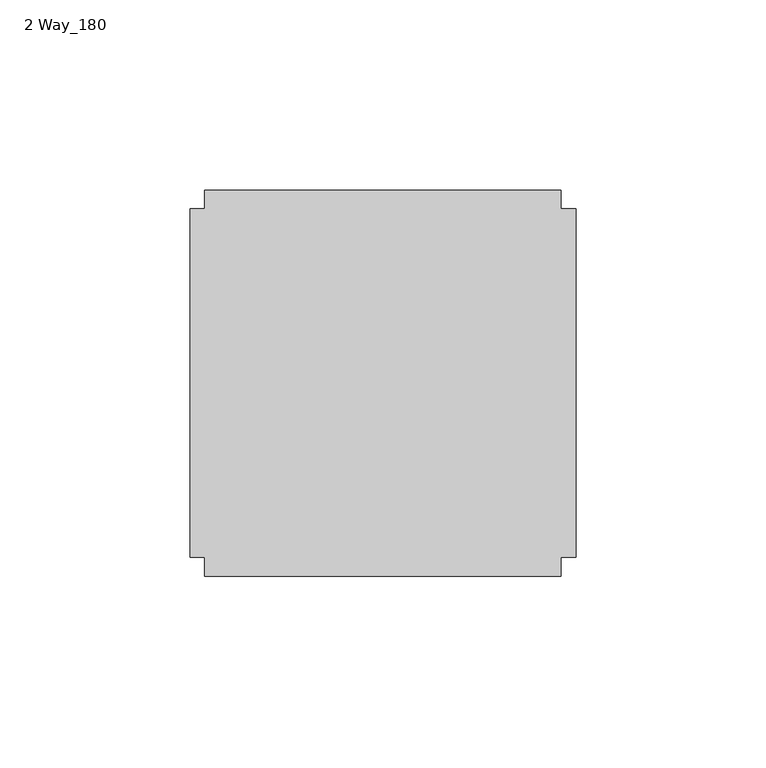
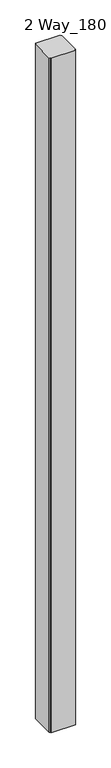
"""IFC4 building model written with IfcOpenShell, lengths in millimetres: furniture geometry, 2 Way_180."""

import ifcopenshell
import ifcopenshell.guid

model = None  # the IFC model being written
_history = None  # IfcOwnerHistory: only IFC2X3 demands one
_inside = {}  # id of a spatial element -> (the spatial element, [elements in it])
_under = {}  # id of a project, library or spatial element -> (it, [spatial elements below it])
_declared = {}  # id of a project -> (the project, [libraries it declares])
_typed = {}  # id of a type object -> (the type object, [elements of that type])
_made_of = {}  # id of a material, layer set ... -> (it, [elements and type objects made of it])


def new_model(schema):
    """Start an empty IFC model of exactly this schema.

    Asked for "IFC4X3", IfcOpenShell would pick the latest addendum, in which some entities
    have other attributes; the version numbers below select the first issue.
    IFC2X3 requires an IfcOwnerHistory on every rooted entity: one is made here for all.
    """
    global model, _history
    if schema == "IFC4X3":
        model = ifcopenshell.file(schema_version=(4, 3, 0, 0))
    else:
        model = ifcopenshell.file(schema=schema)
    _inside.clear()
    _under.clear()
    _declared.clear()
    _typed.clear()
    _made_of.clear()
    _history = None
    if model.schema == "IFC2X3":
        org = make("IfcOrganization", Name="unknown")
        user = make(
            "IfcPersonAndOrganization",
            ThePerson=make("IfcPerson", FamilyName="unknown"),
            TheOrganization=org,
        )
        app = make(
            "IfcApplication",
            ApplicationDeveloper=org,
            Version="unknown",
            ApplicationFullName="unknown",
            ApplicationIdentifier="unknown",
        )
        _history = make(
            "IfcOwnerHistory",
            OwningUser=user,
            OwningApplication=app,
            ChangeAction="ADDED",
            CreationDate=0,
        )
    return model


def make(cls, **values):
    """One entity of the class cls with the attributes given. An attribute that is None is left unset."""
    return model.create_entity(
        cls, **{name: value for name, value in values.items() if value is not None}
    )


def rooted(cls, **values):
    """An entity with a GlobalId (a new one), such as an element, a storey or a relation."""
    return make(cls, GlobalId=ifcopenshell.guid.new(), OwnerHistory=_history, **values)


def si_unit(unit_type, name, prefix=None):
    """IfcSIUnit, for example si_unit("LENGTHUNIT", "METRE", prefix="MILLI")."""
    return make("IfcSIUnit", UnitType=unit_type, Prefix=prefix, Name=name)


def assignment(units):
    """IfcUnitAssignment: the units of a project."""
    return None if units is None else make("IfcUnitAssignment", Units=units)


def point(xyz):
    """IfcCartesianPoint."""
    return None if xyz is None else make("IfcCartesianPoint", Coordinates=xyz)


def direction(xyz):
    """IfcDirection."""
    return None if xyz is None else make("IfcDirection", DirectionRatios=xyz)


def frame(location, z_axis=None, x_axis=None):
    """IfcAxis2Placement3D, a coordinate frame: its origin and axes. An axis left out is left unset."""
    return make(
        "IfcAxis2Placement3D",
        Location=point(location),
        Axis=direction(z_axis),
        RefDirection=direction(x_axis),
    )


def origin():
    """The frame at (0, 0, 0) with its axes left unset."""
    return frame((0.0, 0.0, 0.0))


def origin_with_axes():
    """The frame at (0, 0, 0) with the z axis (0, 0, 1) and the x axis (1, 0, 0) written out."""
    return frame((0.0, 0.0, 0.0), z_axis=(0.0, 0.0, 1.0), x_axis=(1.0, 0.0, 0.0))


def place(relative_to, where):
    """IfcLocalPlacement: puts the frame where relative to a parent placement (None: the world)."""
    return make(
        "IfcLocalPlacement", PlacementRelTo=relative_to, RelativePlacement=where
    )


def context(
    kind, dimensions, precision=None, world=None, true_north=None, identifier=None
):
    """IfcGeometricRepresentationContext, for example the 3D "Model" context."""
    return make(
        "IfcGeometricRepresentationContext",
        ContextIdentifier=identifier,
        ContextType=kind,
        CoordinateSpaceDimension=dimensions,
        Precision=precision,
        WorldCoordinateSystem=world,
        TrueNorth=true_north,
    )


def project(units=None, contexts=None):
    """IfcProject with its units and contexts."""
    return rooted(
        "IfcProject",
        Name="project",
        RepresentationContexts=contexts,
        UnitsInContext=assignment(units),
    )


def spatial(cls, under=None, at=None, **own):
    """A site, building, storey or space (cls), placed at a placement, below another one or the project."""
    s = rooted(cls, ObjectPlacement=at, **own)
    if under is not None:
        _under.setdefault(under.id(), (under, []))[1].append(s)
    return s


def polyline(points):
    """IfcPolyline through the points."""
    return make("IfcPolyline", Points=[point(p) for p in points])


def outline(outer, holes=None, kind="AREA"):
    """IfcArbitraryClosedProfileDef: a profile drawn as a closed curve; with holes, ...WithVoids."""
    if holes is None:
        return make("IfcArbitraryClosedProfileDef", ProfileType=kind, OuterCurve=outer)
    return make(
        "IfcArbitraryProfileDefWithVoids",
        ProfileType=kind,
        OuterCurve=outer,
        InnerCurves=holes,
    )


def extrude(swept, where, along, depth):
    """IfcExtrudedAreaSolid: the profile swept, set in the frame where, extruded along a direction by depth."""
    return make(
        "IfcExtrudedAreaSolid",
        SweptArea=swept,
        Position=where,
        ExtrudedDirection=direction(along),
        Depth=depth,
    )


def shape(context_of_items, identifier, shape_type, items):
    """IfcShapeRepresentation: the items that make up one representation, for example the "Body"."""
    return make(
        "IfcShapeRepresentation",
        ContextOfItems=context_of_items,
        RepresentationIdentifier=identifier,
        RepresentationType=shape_type,
        Items=items,
    )


def source(mapping_origin, context_of_items, identifier, shape_type, items):
    """IfcRepresentationMap: a shape defined once, which mapped items show again and again."""
    return make(
        "IfcRepresentationMap",
        MappingOrigin=mapping_origin,
        MappedRepresentation=shape(context_of_items, identifier, shape_type, items),
    )


def transform(
    local_origin,
    x_axis=None,
    y_axis=None,
    z_axis=None,
    scale=None,
    scale2=None,
    scale3=None,
    uniform=True,
):
    """IfcCartesianTransformationOperator3D, or its non-uniform kind. x_axis, y_axis, z_axis: its Axis1, 2, 3."""
    if uniform:
        return make(
            "IfcCartesianTransformationOperator3D",
            Axis1=direction(x_axis),
            Axis2=direction(y_axis),
            LocalOrigin=point(local_origin),
            Scale=scale,
            Axis3=direction(z_axis),
        )
    return make(
        "IfcCartesianTransformationOperator3DnonUniform",
        Axis1=direction(x_axis),
        Axis2=direction(y_axis),
        LocalOrigin=point(local_origin),
        Scale=scale,
        Axis3=direction(z_axis),
        Scale2=scale2,
        Scale3=scale3,
    )


def mapped(mapping_source, mapping_target):
    """IfcMappedItem: shows the shape of a source again, moved by a transform."""
    return make(
        "IfcMappedItem", MappingSource=mapping_source, MappingTarget=mapping_target
    )


def made_of(thing, what):
    """Note that an element or type object is made of a material, layer set ...; save() writes the relation."""
    if what is not None:
        _made_of.setdefault(what.id(), (what, []))[1].append(thing)
    return thing


def element(
    cls,
    number,
    at=None,
    inside=None,
    cuts=None,
    type_object=None,
    material=None,
    context=None,
    identifier="Body",
    shape_type=None,
    held_by="IfcProductDefinitionShape",
    body=None,
    shapes=None,
    **own,
):
    """One element of the class cls, such as IfcWall. Its Tag is "e" and its number.

    at: its placement. inside: the storey or other place that contains it. cuts: it is an
    opening in that element (IfcRelVoidsElement). A single representation is given by context,
    identifier, shape_type and body (its items); several are given by shapes. held_by: the class
    of the entity that holds the representations. save() writes the other relations.
    """
    e = rooted(cls, Tag="e%d" % number, ObjectPlacement=at, **own)
    if body is not None:
        shapes = [shape(context, identifier, shape_type, body)]
    if shapes is not None:
        e.Representation = make(held_by, Representations=shapes)
    if inside is not None:
        _inside.setdefault(inside.id(), (inside, []))[1].append(e)
    if cuts is not None:
        rooted(
            "IfcRelVoidsElement", RelatingBuildingElement=cuts, RelatedOpeningElement=e
        )
    if type_object is not None:
        _typed.setdefault(type_object.id(), (type_object, []))[1].append(e)
    return made_of(e, material)


def aggregate(whole, parts):
    """IfcRelAggregates: a whole, such as a stair, and the parts it consists of."""
    return rooted("IfcRelAggregates", RelatingObject=whole, RelatedObjects=parts)


def save(model, path):
    """Write the relations noted so far, then the file.

    IfcRelAggregates (storeys below a building ...), IfcRelContainedInSpatialStructure (elements
    in a storey), IfcRelDefinesByType, IfcRelAssociatesMaterial and IfcRelDeclares: one each for
    every whole, place, type object, material and project.
    """
    for whole, parts in _under.values():
        aggregate(whole, parts)
    for where, things in _inside.values():
        rooted(
            "IfcRelContainedInSpatialStructure",
            RelatedElements=things,
            RelatingStructure=where,
        )
    for kind, things in _typed.values():
        rooted("IfcRelDefinesByType", RelatedObjects=things, RelatingType=kind)
    for what, things in _made_of.values():
        rooted("IfcRelAssociatesMaterial", RelatedObjects=things, RelatingMaterial=what)
    for by, libraries in _declared.values():
        rooted("IfcRelDeclares", RelatingContext=by, RelatedDefinitions=libraries)
    model.write(path)


def furniture_2_way_180_521aab2b(model_context):
    return source(origin(), model_context, "Body", "SweptSolid", [
        extrude(outline(polyline([(33.9141531, 22.2450295), (33.9141531, 27.1980295), (127.6401531, 27.1980295), (127.6401531, 22.2450295), (131.5771531, 22.2450295), (131.5771531, -69.4489705), (127.6401531, -69.4489705), (127.6401531, -74.4019705), (33.9141531, -74.4019705), (33.9141531, -69.4489705), (29.9771531, -69.4489705), (29.9771531, 22.2450295), (33.9141531, 22.2450295)])), origin_with_axes(), (0.0, 0.0, 1.0), 2743.2),
    ])


if __name__ == "__main__":
    model = new_model("IFC4")
    model_context = context("Model", 3, world=origin())
    ifc_project = project(units=[si_unit("LENGTHUNIT", "METRE", prefix="MILLI")], contexts=[model_context])
    site = spatial("IfcSite", under=ifc_project)
    building = spatial("IfcBuilding", under=site)
    placement = place(None, origin())
    furniture_2_way_180_shape = furniture_2_way_180_521aab2b(model_context)
    element("IfcFurniture", 1, ObjectType="2 Way_180", at=placement, inside=building, context=model_context, shape_type="MappedRepresentation", body=[
        mapped(furniture_2_way_180_shape, transform((0.0, 0.0, 0.0), x_axis=(1.0, 0.0, 0.0), y_axis=(0.0, 1.0, 0.0), z_axis=(0.0, 0.0, 1.0))),
    ])
    save(model, "model.ifc")
